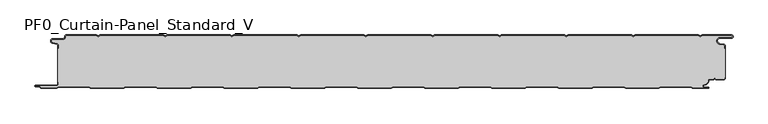
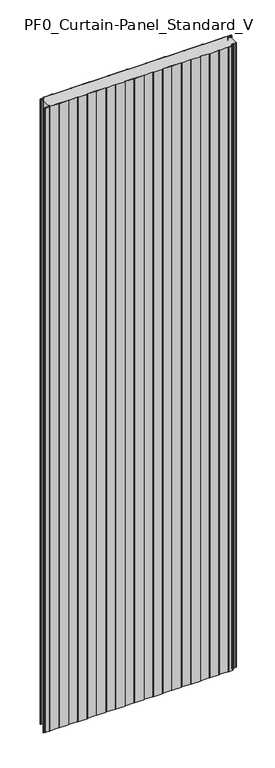
"""IFC4 building model written with IfcOpenShell, lengths in millimetres: plate geometry, PF0_Curtain-Panel_Standard_V."""

from ifc_helpers import new_model, si_unit, point, frame_2d, origin, origin_with_axes, place, context, project, spatial, polyline, circle_curve, trimmed, segment, composite_curve, outline, extrude, source, transform, mapped, element, save


def pf0_curtain_panel_standard_v_cbf56bde(model_context):
    return source(origin(), model_context, "Body", "SweptSolid", [
        extrude(outline(composite_curve([segment(trimmed(circle_curve(frame_2d((-502.0, -15.878557)), 2.0), [point((-500.0, -15.878557))], [point((-501.5500978, -13.9298169))], True, "CARTESIAN"), True, "CONTINUOUS"), segment(polyline([(-501.5500978, -13.9298169), (-507.7098239, -12.507732)]), True, "CONTINUOUS"), segment(trimmed(circle_curve(frame_2d((-506.9, -9.0)), 3.6), [point((-507.7098239, -12.507732))], [point((-506.9, -5.4))], False, "CARTESIAN"), True, "CONTINUOUS"), segment(polyline([(-506.9, -5.4), (-491.4, -5.4)]), True, "CONTINUOUS"), segment(trimmed(circle_curve(frame_2d((-491.4, -3.4)), 2.0), [point((-491.4, -5.4))], [point((-489.4, -3.4))], True, "CARTESIAN"), True, "CONTINUOUS"), segment(polyline([(-489.4, -3.4), (-489.4, -2.0)]), True, "CONTINUOUS"), segment(trimmed(circle_curve(frame_2d((-487.4, -2.0)), 2.0), [point((-489.4, -2.0))], [point((-487.4, 0.0))], False, "CARTESIAN"), True, "CONTINUOUS"), segment(polyline([(-487.4, 0.0), (-442.0999995, 0.0), (-439.4, -1.5588455), (-436.7000005, 0.0), (-342.0999995, 0.0), (-339.4, -1.5588455), (-336.7000005, 0.0), (-242.0999995, 0.0), (-239.4, -1.5588455), (-236.7000005, 0.0), (-142.0999995, 0.0), (-139.4, -1.5588455), (-136.7000005, 0.0), (-42.0999995, 0.0), (-39.4, -1.5588455), (-36.7000005, 0.0), (57.9000005, 0.0), (60.6, -1.5588455), (63.2999995, 0.0), (157.9000005, 0.0), (160.6, -1.5588455), (163.2999995, 0.0), (257.9000005, 0.0), (260.6, -1.5588455), (263.2999995, 0.0), (357.9000005, 0.0), (360.6, -1.5588455), (363.2999995, 0.0), (457.9000005, 0.0), (460.6, -1.5588455), (463.2999995, 0.0), (507.268846, 0.0)]), True, "CONTINUOUS"), segment(trimmed(circle_curve(frame_2d((507.268846, -2.5)), 2.5), [point((507.268846, 0.0))], [point((507.268846, -5.0))], False, "CARTESIAN"), True, "CONTINUOUS"), segment(polyline([(507.268846, -5.0), (490.268846, -5.0)]), True, "CONTINUOUS"), segment(trimmed(circle_curve(frame_2d((490.268846, -9.0)), 4.0), [point((490.268846, -5.0))], [point((489.574253, -12.939231))], True, "CARTESIAN"), True, "CONTINUOUS"), segment(polyline([(489.574253, -12.939231), (496.0203315, -14.0758491)]), True, "CONTINUOUS"), segment(trimmed(circle_curve(frame_2d((495.568846, -16.6363492)), 2.6), [point((496.0203315, -14.0758491))], [point((498.168846, -16.6363492))], False, "CARTESIAN"), True, "CONTINUOUS"), segment(polyline([(498.168846, -16.6363492), (498.168846, -20.0), (497.368846, -20.0), (497.368846, -16.6363492)]), True, "CONTINUOUS"), segment(trimmed(circle_curve(frame_2d((495.568846, -16.6363492)), 1.8), [point((497.368846, -16.6363492))], [point((495.8814129, -14.8636953))], True, "CARTESIAN"), True, "CONTINUOUS"), segment(polyline([(495.8814129, -14.8636953), (489.4353344, -13.7270772)]), True, "CONTINUOUS"), segment(trimmed(circle_curve(frame_2d((490.268846, -9.0)), 4.8), [point((489.4353344, -13.7270772))], [point((490.268846, -4.2))], False, "CARTESIAN"), True, "CONTINUOUS"), segment(polyline([(490.268846, -4.2), (507.268846, -4.2)]), True, "CONTINUOUS"), segment(trimmed(circle_curve(frame_2d((507.268846, -2.5)), 1.7), [point((507.268846, -4.2))], [point((507.268846, -0.8))], True, "CARTESIAN"), True, "CONTINUOUS"), segment(polyline([(507.268846, -0.8), (463.5143588, -0.8), (460.6, -2.482606), (457.6856412, -0.8), (363.5143588, -0.8), (360.6, -2.482606), (357.6856412, -0.8), (263.5143588, -0.8), (260.6, -2.482606), (257.6856412, -0.8), (163.5143588, -0.8), (160.6, -2.482606), (157.6856412, -0.8), (63.5143588, -0.8), (60.6, -2.482606), (57.6856412, -0.8), (-36.4856412, -0.8), (-39.4, -2.482606), (-42.3143588, -0.8), (-136.4856412, -0.8), (-139.4, -2.482606), (-142.3143588, -0.8), (-236.4856412, -0.8), (-239.4, -2.482606), (-242.3143588, -0.8), (-336.4856412, -0.8), (-339.4, -2.482606), (-342.3143588, -0.8), (-436.4856412, -0.8), (-439.4, -2.482606), (-442.3143588, -0.8), (-487.4, -0.8)]), True, "CONTINUOUS"), segment(trimmed(circle_curve(frame_2d((-487.4, -2.0)), 1.2), [point((-487.4, -0.8))], [point((-488.6, -2.0))], True, "CARTESIAN"), True, "CONTINUOUS"), segment(polyline([(-488.6, -2.0), (-488.6, -3.4)]), True, "CONTINUOUS"), segment(trimmed(circle_curve(frame_2d((-491.4, -3.4)), 2.8), [point((-488.6, -3.4))], [point((-491.4, -6.2))], False, "CARTESIAN"), True, "CONTINUOUS"), segment(polyline([(-491.4, -6.2), (-506.9, -6.2)]), True, "CONTINUOUS"), segment(trimmed(circle_curve(frame_2d((-506.9, -9.0)), 2.8), [point((-506.9, -6.2))], [point((-507.529863, -11.7282362))], True, "CARTESIAN"), True, "CONTINUOUS"), segment(polyline([(-507.529863, -11.7282362), (-501.370137, -13.150321)]), True, "CONTINUOUS"), segment(trimmed(circle_curve(frame_2d((-502.0, -15.878557)), 2.8), [point((-501.370137, -13.150321))], [point((-499.2, -15.878557))], False, "CARTESIAN"), True, "CONTINUOUS"), segment(polyline([(-499.2, -15.878557), (-499.2, -20.0), (-500.0, -20.0), (-500.0, -15.878557)]), True, "CONTINUOUS")], self_intersect=False)), origin_with_axes(), (0.0, 0.0, 1.0), 3500.0),
        extrude(outline(composite_curve([segment(polyline([(-499.2, -70.0), (-500.0, -70.0), (-500.0, -20.0), (-499.2, -20.0), (-499.2, -15.878557)]), True, "CONTINUOUS"), segment(trimmed(circle_curve(frame_2d((-502.0, -15.878557)), 2.8), [point((-499.2, -15.878557))], [point((-501.370137, -13.1503208))], True, "CARTESIAN"), True, "CONTINUOUS"), segment(polyline([(-501.370137, -13.1503208), (-507.529863, -11.7282362)]), True, "CONTINUOUS"), segment(trimmed(circle_curve(frame_2d((-506.9, -9.0)), 2.8), [point((-507.529863, -11.7282362))], [point((-506.9, -6.2))], False, "CARTESIAN"), True, "CONTINUOUS"), segment(polyline([(-506.9, -6.2), (-491.4, -6.2)]), True, "CONTINUOUS"), segment(trimmed(circle_curve(frame_2d((-491.4, -3.4)), 2.8), [point((-491.4, -6.2))], [point((-488.6, -3.4))], True, "CARTESIAN"), True, "CONTINUOUS"), segment(polyline([(-488.6, -3.4), (-488.6, -2.0)]), True, "CONTINUOUS"), segment(trimmed(circle_curve(frame_2d((-487.4, -2.0)), 1.2), [point((-488.6, -2.0))], [point((-487.4, -0.8))], False, "CARTESIAN"), True, "CONTINUOUS"), segment(polyline([(-487.4, -0.8), (-442.3143588, -0.8), (-439.4, -2.482606), (-436.4856412, -0.8), (-342.3143588, -0.8), (-339.4, -2.482606), (-336.4856412, -0.8), (-242.3143588, -0.8), (-239.4, -2.482606), (-236.4856412, -0.8), (-142.3143588, -0.8), (-139.4, -2.482606), (-136.4856412, -0.8), (-42.3143588, -0.8), (-39.4, -2.482606), (-36.4856412, -0.8), (57.6856412, -0.8), (60.6, -2.482606), (63.5143588, -0.8), (157.6856412, -0.8), (160.6, -2.482606), (163.5143588, -0.8), (257.6856412, -0.8), (260.6, -2.482606), (263.5143588, -0.8), (357.6856412, -0.8), (360.6, -2.482606), (363.5143588, -0.8), (457.6856412, -0.8), (460.6, -2.482606), (463.5143588, -0.8), (507.268846, -0.8)]), True, "CONTINUOUS"), segment(trimmed(circle_curve(frame_2d((507.268846, -2.5)), 1.7), [point((507.268846, -0.8))], [point((507.268846, -4.2))], False, "CARTESIAN"), True, "CONTINUOUS"), segment(polyline([(507.268846, -4.2), (490.268846, -4.2)]), True, "CONTINUOUS"), segment(trimmed(circle_curve(frame_2d((490.268846, -9.0)), 4.8), [point((490.268846, -4.2))], [point((489.4353344, -13.7270772))], True, "CARTESIAN"), True, "CONTINUOUS"), segment(polyline([(489.4353344, -13.7270772), (495.8814129, -14.8636953)]), True, "CONTINUOUS"), segment(trimmed(circle_curve(frame_2d((495.568846, -16.6363492)), 1.8), [point((495.8814129, -14.8636953))], [point((497.368846, -16.6363492))], False, "CARTESIAN"), True, "CONTINUOUS"), segment(polyline([(497.368846, -16.6363492), (497.368846, -20.0), (498.168846, -20.0), (498.168846, -63.0), (497.368846, -63.0), (497.368846, -64.4)]), True, "CONTINUOUS"), segment(trimmed(circle_curve(frame_2d((495.568846, -64.4)), 1.8), [point((497.368846, -64.4))], [point((495.568846, -66.2))], False, "CARTESIAN"), True, "CONTINUOUS"), segment(polyline([(495.568846, -66.2), (484.0002158, -66.2), (482.168846, -64.3686285), (480.3374762, -66.2), (474.168846, -66.2)]), True, "CONTINUOUS"), segment(trimmed(circle_curve(frame_2d((474.168846, -68.0)), 1.8), [point((474.168846, -66.2))], [point((472.368846, -68.0))], True, "CARTESIAN"), True, "CONTINUOUS"), segment(polyline([(472.368846, -68.0), (472.368846, -68.8276204)]), True, "CONTINUOUS"), segment(trimmed(circle_curve(frame_2d((466.9964664, -68.8276204)), 5.3723796), [point((472.368846, -68.8276204))], [point((466.9964664, -74.2))], False, "CARTESIAN"), True, "CONTINUOUS"), segment(polyline([(466.9964664, -74.2), (466.168846, -74.2)]), True, "CONTINUOUS"), segment(trimmed(circle_curve(frame_2d((466.168846, -76.4)), 2.2), [point((466.168846, -74.2))], [point((466.168846, -78.6))], True, "CARTESIAN"), True, "CONTINUOUS"), segment(polyline([(466.168846, -78.6), (472.0579973, -78.6)]), True, "CONTINUOUS"), segment(trimmed(circle_curve(frame_2d((472.0579973, -78.9)), 0.3), [point((472.0579973, -78.6))], [point((472.0579973, -79.2))], False, "CARTESIAN"), True, "CONTINUOUS"), segment(polyline([(472.0579973, -79.2), (449.2152562, -79.2), (446.6171786, -77.7), (401.3884624, -77.7), (398.7903848, -79.2), (349.2152562, -79.2), (346.6171786, -77.7), (301.3884624, -77.7), (298.7903848, -79.2), (249.2152562, -79.2), (246.6171786, -77.7), (201.3884624, -77.7), (198.7903848, -79.2), (149.2152562, -79.2), (146.6171786, -77.7), (101.3884624, -77.7), (98.7903848, -79.2), (49.2152562, -79.2), (46.6171786, -77.7), (1.3884624, -77.7), (-1.2096152, -79.2), (-50.7847438, -79.2), (-53.3828214, -77.7), (-98.6115376, -77.7), (-101.2096152, -79.2), (-150.7847438, -79.2), (-153.3828214, -77.7), (-198.6115376, -77.7), (-201.2096152, -79.2), (-250.7847438, -79.2), (-253.3828214, -77.7), (-298.6115376, -77.7), (-301.2096152, -79.2), (-350.7847438, -79.2), (-353.3828214, -77.7), (-398.6115376, -77.7), (-401.2096152, -79.2), (-450.7847438, -79.2), (-453.3828214, -77.7), (-498.6115376, -77.7), (-501.2096152, -79.2), (-524.4, -79.2)]), True, "CONTINUOUS"), segment(trimmed(circle_curve(frame_2d((-524.4, -78.4)), 0.8), [point((-524.4, -79.2))], [point((-525.2, -78.4))], False, "CARTESIAN"), True, "CONTINUOUS"), segment(trimmed(circle_curve(frame_2d((-526.9, -78.6133333)), 1.7133333), [point((-525.2, -78.4))], [point((-526.9, -76.9))], True, "CARTESIAN"), True, "CONTINUOUS"), segment(polyline([(-526.9, -76.9), (-532.8700312, -76.9)]), True, "CONTINUOUS"), segment(trimmed(circle_curve(frame_2d((-532.8700312, -76.6)), 0.3), [point((-532.8700312, -76.9))], [point((-532.8700312, -76.3))], False, "CARTESIAN"), True, "CONTINUOUS"), segment(polyline([(-532.8700312, -76.3), (-502.0, -76.3)]), True, "CONTINUOUS"), segment(trimmed(circle_curve(frame_2d((-502.0, -73.5)), 2.8), [point((-502.0, -76.3))], [point((-499.2, -73.5))], True, "CARTESIAN"), True, "CONTINUOUS"), segment(polyline([(-499.2, -73.5), (-499.2, -70.0)]), True, "CONTINUOUS")], self_intersect=False)), origin_with_axes(), (0.0, 0.0, 1.0), 3500.0),
        extrude(outline(composite_curve([segment(polyline([(-500.0, -70.0), (-499.2, -70.0), (-499.2, -73.5)]), True, "CONTINUOUS"), segment(trimmed(circle_curve(frame_2d((-502.0, -73.5)), 2.8), [point((-499.2, -73.5))], [point((-502.0, -76.3))], False, "CARTESIAN"), True, "CONTINUOUS"), segment(polyline([(-502.0, -76.3), (-532.8700312, -76.3)]), True, "CONTINUOUS"), segment(trimmed(circle_curve(frame_2d((-532.8700312, -76.6)), 0.3), [point((-532.8700312, -76.3))], [point((-532.8700312, -76.9))], True, "CARTESIAN"), True, "CONTINUOUS"), segment(polyline([(-532.8700312, -76.9), (-526.9, -76.9)]), True, "CONTINUOUS"), segment(trimmed(circle_curve(frame_2d((-526.9, -78.6133333)), 1.7133333), [point((-526.9, -76.9))], [point((-525.2, -78.4))], False, "CARTESIAN"), True, "CONTINUOUS"), segment(trimmed(circle_curve(frame_2d((-524.4, -78.4)), 0.8), [point((-525.2, -78.4))], [point((-524.4, -79.2))], True, "CARTESIAN"), True, "CONTINUOUS"), segment(polyline([(-524.4, -79.2), (-501.2096152, -79.2), (-498.6115376, -77.7), (-453.3828214, -77.7), (-450.7847438, -79.2), (-401.2096152, -79.2), (-398.6115376, -77.7), (-353.3828214, -77.7), (-350.7847438, -79.2), (-301.2096152, -79.2), (-298.6115376, -77.7), (-253.3828214, -77.7), (-250.7847438, -79.2), (-201.2096152, -79.2), (-198.6115376, -77.7), (-153.3828214, -77.7), (-150.7847438, -79.2), (-101.2096152, -79.2), (-98.6115376, -77.7), (-53.3828214, -77.7), (-50.7847438, -79.2), (-1.2096152, -79.2), (1.3884624, -77.7), (46.6171786, -77.7), (49.2152562, -79.2), (98.7903848, -79.2), (101.3884624, -77.7), (146.6171786, -77.7), (149.2152562, -79.2), (198.7903848, -79.2), (201.3884624, -77.7), (246.6171786, -77.7), (249.2152562, -79.2), (298.7903848, -79.2), (301.3884624, -77.7), (346.6171786, -77.7), (349.2152562, -79.2), (398.7903848, -79.2), (401.3884624, -77.7), (446.6171786, -77.7), (449.2152562, -79.2), (472.0579973, -79.2)]), True, "CONTINUOUS"), segment(trimmed(circle_curve(frame_2d((472.0579973, -78.9)), 0.3), [point((472.0579973, -79.2))], [point((472.0579973, -78.6))], True, "CARTESIAN"), True, "CONTINUOUS"), segment(polyline([(472.0579973, -78.6), (466.168846, -78.6)]), True, "CONTINUOUS"), segment(trimmed(circle_curve(frame_2d((466.168846, -76.4)), 2.2), [point((466.168846, -78.6))], [point((466.168846, -74.2))], False, "CARTESIAN"), True, "CONTINUOUS"), segment(polyline([(466.168846, -74.2), (466.9964664, -74.2)]), True, "CONTINUOUS"), segment(trimmed(circle_curve(frame_2d((466.9964664, -68.8276204)), 5.3723796), [point((466.9964664, -74.2))], [point((472.368846, -68.8276204))], True, "CARTESIAN"), True, "CONTINUOUS"), segment(polyline([(472.368846, -68.8276204), (472.368846, -68.0)]), True, "CONTINUOUS"), segment(trimmed(circle_curve(frame_2d((474.168846, -68.0)), 1.8), [point((472.368846, -68.0))], [point((474.168846, -66.2))], False, "CARTESIAN"), True, "CONTINUOUS"), segment(polyline([(474.168846, -66.2), (480.3374762, -66.2), (482.168846, -64.3686285), (484.0002158, -66.2), (495.568846, -66.2)]), True, "CONTINUOUS"), segment(trimmed(circle_curve(frame_2d((495.568846, -64.4)), 1.8), [point((495.568846, -66.2))], [point((497.368846, -64.4))], True, "CARTESIAN"), True, "CONTINUOUS"), segment(polyline([(497.368846, -64.4), (497.368846, -63.0), (498.168846, -63.0), (498.168846, -64.4)]), True, "CONTINUOUS"), segment(trimmed(circle_curve(frame_2d((495.568846, -64.4)), 2.6), [point((498.168846, -64.4))], [point((495.568846, -67.0))], False, "CARTESIAN"), True, "CONTINUOUS"), segment(polyline([(495.568846, -67.0), (483.6688448, -67.0), (482.168846, -65.4999999), (480.6688472, -67.0), (474.168846, -67.0)]), True, "CONTINUOUS"), segment(trimmed(circle_curve(frame_2d((474.168846, -68.0)), 1.0), [point((474.168846, -67.0))], [point((473.168846, -68.0))], True, "CARTESIAN"), True, "CONTINUOUS"), segment(polyline([(473.168846, -68.0), (473.168846, -68.8276204)]), True, "CONTINUOUS"), segment(trimmed(circle_curve(frame_2d((466.9964664, -68.8276204)), 6.1723796), [point((473.168846, -68.8276204))], [point((466.9964664, -75.0))], False, "CARTESIAN"), True, "CONTINUOUS"), segment(polyline([(466.9964664, -75.0), (466.168846, -75.0)]), True, "CONTINUOUS"), segment(trimmed(circle_curve(frame_2d((466.168846, -76.5)), 1.5), [point((466.168846, -75.0))], [point((466.168846, -78.0))], True, "CARTESIAN"), True, "CONTINUOUS"), segment(polyline([(466.168846, -78.0), (472.168846, -78.0)]), True, "CONTINUOUS"), segment(trimmed(circle_curve(frame_2d((472.168846, -79.0)), 1.0), [point((472.168846, -78.0))], [point((472.168846, -80.0))], False, "CARTESIAN"), True, "CONTINUOUS"), segment(polyline([(472.168846, -80.0), (449.0008969, -80.0), (446.4028193, -78.5), (401.6028217, -78.5), (399.0047441, -80.0), (349.0008969, -80.0), (346.4028193, -78.5), (301.6028217, -78.5), (299.0047441, -80.0), (249.0008969, -80.0), (246.4028193, -78.5), (201.6028217, -78.5), (199.0047441, -80.0), (149.0008969, -80.0), (146.4028193, -78.5), (101.6028217, -78.5), (99.0047441, -80.0), (49.0008969, -80.0), (46.4028193, -78.5), (1.6028217, -78.5), (-0.9952559, -80.0), (-50.9991031, -80.0), (-53.5971807, -78.5), (-98.3971783, -78.5), (-100.9952559, -80.0), (-150.9991031, -80.0), (-153.5971807, -78.5), (-198.3971783, -78.5), (-200.9952559, -80.0), (-250.9991031, -80.0), (-253.5971807, -78.5), (-298.3971783, -78.5), (-300.9952559, -80.0), (-350.9991031, -80.0), (-353.5971807, -78.5), (-398.3971783, -78.5), (-400.9952559, -80.0), (-450.9991031, -80.0), (-453.5971807, -78.5), (-498.3971783, -78.5), (-500.9952559, -80.0), (-524.4, -80.0)]), True, "CONTINUOUS"), segment(trimmed(circle_curve(frame_2d((-524.4, -78.4)), 1.6), [point((-524.4, -80.0))], [point((-526.0, -78.4))], False, "CARTESIAN"), True, "CONTINUOUS"), segment(trimmed(circle_curve(frame_2d((-526.9, -78.4)), 0.9), [point((-526.0, -78.4))], [point((-526.9, -77.5))], True, "CARTESIAN"), True, "CONTINUOUS"), segment(polyline([(-526.9, -77.5), (-533.0, -77.5)]), True, "CONTINUOUS"), segment(trimmed(circle_curve(frame_2d((-533.0, -76.5)), 1.0), [point((-533.0, -77.5))], [point((-533.0, -75.5))], False, "CARTESIAN"), True, "CONTINUOUS"), segment(polyline([(-533.0, -75.5), (-502.0, -75.5)]), True, "CONTINUOUS"), segment(trimmed(circle_curve(frame_2d((-502.0, -73.5)), 2.0), [point((-502.0, -75.5))], [point((-500.0, -73.5))], True, "CARTESIAN"), True, "CONTINUOUS"), segment(polyline([(-500.0, -73.5), (-500.0, -70.0)]), True, "CONTINUOUS")], self_intersect=False)), origin_with_axes(), (0.0, 0.0, 1.0), 3500.0),
    ])


if __name__ == "__main__":
    model = new_model("IFC4")
    model_context = context("Model", 3, world=origin())
    ifc_project = project(units=[si_unit("LENGTHUNIT", "METRE", prefix="MILLI")], contexts=[model_context])
    site = spatial("IfcSite", under=ifc_project)
    building = spatial("IfcBuilding", under=site)
    placement = place(None, origin())
    pf0_curtain_panel_standard_v_shape = pf0_curtain_panel_standard_v_cbf56bde(model_context)
    element("IfcPlate", 1, ObjectType="PF0_Curtain-Panel_Standard_V", at=placement, inside=building, context=model_context, shape_type="MappedRepresentation", body=[
        mapped(pf0_curtain_panel_standard_v_shape, transform((0.0, 0.0, 0.0), x_axis=(1.0, 0.0, 0.0), y_axis=(0.0, 1.0, 0.0), z_axis=(0.0, 0.0, 1.0))),
    ])
    save(model, "model.ifc")
